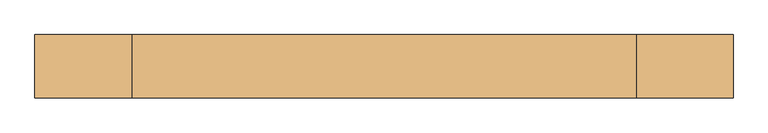
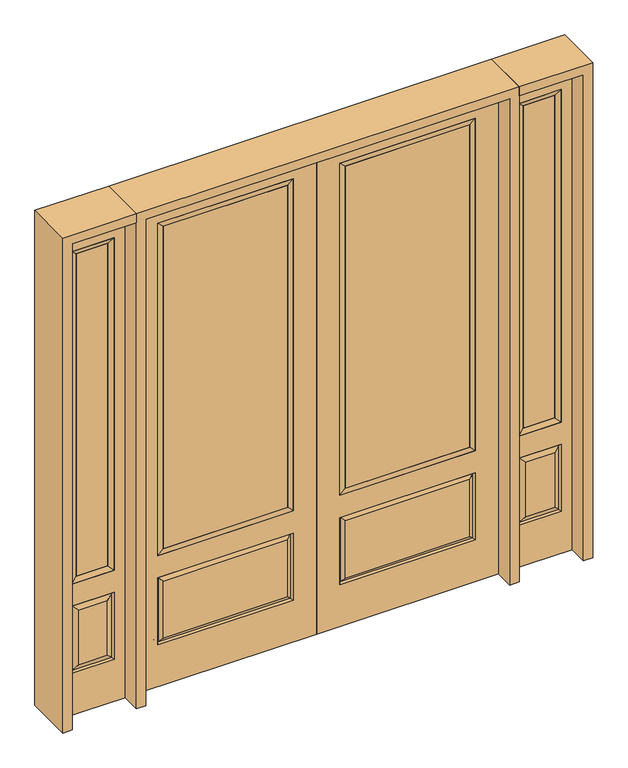
"""IFC4 building model written with IfcOpenShell, lengths in millimetres: door geometry."""

from ifc_helpers import new_model, si_unit, frame, origin, place, context, project, spatial, polyline, outline, extrude, faceted_brep, source, transform, mapped, element, save


def door_d70923eb(model_context):
    return source(origin(), model_context, "Body", "SolidModel", [
        extrude(outline(polyline([(136.525, -20.32), (136.525, 5.08), (727.075, 5.08), (727.075, -20.32), (136.525, -20.32)])), frame((0.0, 0.0, 682.498), z_axis=(0.0, 0.0, 1.0), x_axis=(1.0, 0.0, 0.0)), (0.0, 0.0, 1.0), 1616.202),
        faceted_brep([(745.3661499, -12.7912373, 216.6588501), (727.86875, -22.225, 234.15625), (135.73125, -22.225, 234.15625), (118.2338501, -12.7912373, 216.6588501), (111.125, -22.225, 209.55), (752.475, -22.225, 209.55), (752.475, -22.225, 546.1), (745.3661499, -12.7912373, 538.9911499), (0.0, -22.225, 2438.4), (0.0, -22.225, 0.0), (863.6, -22.225, 0.0), (863.6, -22.225, 2438.4), (111.125, -22.225, 546.1), (111.125, -22.225, 2324.1), (752.475, -22.225, 2324.1), (752.475, -22.225, 657.098), (111.125, -22.225, 657.098), (727.86875, -22.225, 521.49375), (135.73125, -22.225, 521.49375), (118.2338501, -12.7912373, 538.9911499), (863.6, 22.225, 0.0), (863.6, 22.225, 2438.4), (0.0, 22.225, 0.0), (0.0, 22.225, 2438.4), (111.125, 22.225, 657.098), (111.125, 22.225, 2324.1), (752.475, 22.225, 657.098), (752.475, 22.225, 2324.1), (135.73125, 22.225, 234.15625), (135.73125, 22.225, 521.49375), (727.86875, 22.225, 521.49375), (727.86875, 22.225, 234.15625), (752.475, 22.225, 209.55), (752.475, 22.225, 546.1), (111.125, 22.225, 546.1), (111.125, 22.225, 209.55), (118.2338501, 12.7912373, 216.6588501), (745.3661499, 12.7912373, 216.6588501), (118.2338501, 12.7912373, 538.9911499), (745.3661499, 12.7912373, 538.9911499)], [[[0, 1, 2, 3]], [[3, 4, 5, 0]], [[5, 6, 7, 0]], [[8, 9, 10, 11], [4, 12, 6, 5], [13, 14, 15, 16]], [[1, 17, 18, 2]], [[3, 19, 12, 4]], [[2, 18, 19, 3]], [[0, 7, 17, 1]], [[6, 12, 19, 7]], [[7, 19, 18, 17]], [[10, 20, 21, 11]], [[9, 22, 20, 10]], [[8, 23, 22, 9]], [[16, 24, 25, 13]], [[15, 26, 24, 16]], [[14, 27, 26, 15]], [[28, 29, 30, 31]], [[23, 21, 20, 22], [25, 24, 26, 27], [32, 33, 34, 35]], [[32, 35, 36, 37]], [[35, 34, 38, 36]], [[39, 38, 34, 33]], [[37, 39, 33, 32]], [[36, 28, 31, 37]], [[31, 30, 39, 37]], [[30, 29, 38, 39]], [[36, 38, 29, 28]], [[11, 21, 23, 8]], [[13, 25, 27, 14]]]),
        faceted_brep([(752.475, -22.225, 2324.1), (752.475, -22.225, 657.098), (752.475, 22.225, 657.098), (752.475, 22.225, 2324.1), (111.125, -22.225, 657.098), (111.125, 22.225, 657.098), (136.525, 5.08, 682.498), (727.075, 5.08, 682.498), (111.125, -22.225, 2324.1), (111.125, 22.225, 2324.1), (727.075, -20.32, 682.498), (136.525, -20.32, 682.498), (727.075, -20.32, 2298.7), (136.525, -20.32, 2298.7), (727.075, 5.08, 2298.7), (136.525, 5.08, 2298.7)], [[[0, 1, 2, 3]], [[1, 4, 5, 2]], [[2, 5, 6, 7]], [[4, 8, 9, 5]], [[10, 11, 4, 1]], [[12, 10, 1, 0]], [[11, 13, 8, 4]], [[7, 6, 11, 10]], [[14, 7, 10, 12]], [[6, 15, 13, 11]], [[3, 2, 7, 14]], [[5, 9, 15, 6]], [[8, 0, 3, 9]], [[13, 12, 0, 8]], [[15, 14, 12, 13]], [[9, 3, 14, 15]]]),
        faceted_brep([(908.05, -22.225, 0.0), (1212.85, -22.225, 0.0), (1212.85, -22.225, 2438.4), (908.05, -22.225, 2438.4), (1160.78, -22.225, 2325.624), (1160.78, -22.225, 657.098), (960.12, -22.225, 657.098), (960.12, -22.225, 2325.624), (1160.78, -22.225, 209.55), (960.12, -22.225, 209.55), (960.12, -22.225, 546.1), (1160.78, -22.225, 546.1), (991.8351001, -22.225, 241.2651001), (1129.0648999, -22.225, 241.2651001), (1129.0648999, -22.225, 514.3848999), (991.8351001, -22.225, 514.3848999), (908.05, 22.225, 0.0), (908.05, 22.225, 2438.4), (1212.85, 22.225, 2438.4), (1212.85, 22.225, 0.0), (1160.78, 22.225, 2325.624), (960.12, 22.225, 2325.624), (960.12, 22.225, 657.098), (1160.78, 22.225, 657.098), (960.12, 22.225, 209.55), (1160.78, 22.225, 209.55), (1160.78, 22.225, 546.1), (960.12, 22.225, 546.1), (1129.0648999, 22.225, 241.2651001), (991.8351001, 22.225, 241.2651001), (991.8351001, 22.225, 514.3848999), (1129.0648999, 22.225, 514.3848999), (1153.6711499, 12.7912373, 216.6588501), (967.2288501, 12.7912373, 216.6588501), (967.2288501, 12.7912373, 538.9911499), (1153.6711499, 12.7912373, 538.9911499), (967.2288501, -12.7912373, 216.6588501), (1153.6711499, -12.7912373, 216.6588501), (967.2288501, -12.7912373, 538.9911499), (1153.6711499, -12.7912373, 538.9911499)], [[[0, 1, 2, 3], [4, 5, 6, 7], [8, 9, 10, 11]], [[12, 13, 14, 15]], [[16, 17, 18, 19], [20, 21, 22, 23], [24, 25, 26, 27]], [[28, 29, 30, 31]], [[1, 0, 16, 19]], [[2, 1, 19, 18]], [[3, 2, 18, 17]], [[0, 3, 17, 16]], [[5, 4, 20, 23]], [[6, 5, 23, 22]], [[7, 6, 22, 21]], [[4, 7, 21, 20]], [[32, 33, 29, 28]], [[33, 32, 25, 24]], [[29, 33, 34, 30]], [[33, 24, 27, 34]], [[30, 34, 35, 31]], [[34, 27, 26, 35]], [[32, 28, 31, 35]], [[25, 32, 35, 26]], [[12, 36, 37, 13]], [[37, 36, 9, 8]], [[36, 12, 15, 38]], [[9, 36, 38, 10]], [[38, 15, 14, 39]], [[10, 38, 39, 11]], [[13, 37, 39, 14]], [[37, 8, 11, 39]]]),
        faceted_brep([(960.12, 22.225, 2325.624), (960.12, -22.225, 2325.624), (1160.78, -22.225, 2325.624), (1160.78, 22.225, 2325.624), (985.52, 12.7, 2300.224), (1135.38, 12.7, 2300.224), (985.52, -12.7, 2300.224), (1135.38, -12.7, 2300.224), (1160.78, -22.225, 657.098), (1160.78, 22.225, 657.098), (1135.38, 12.7, 682.498), (1135.38, -12.7, 682.498), (960.12, -22.225, 657.098), (960.12, 22.225, 657.098), (985.52, 12.7, 682.498), (985.52, -12.7, 682.498)], [[[0, 1, 2, 3]], [[4, 0, 3, 5]], [[6, 4, 5, 7]], [[1, 6, 7, 2]], [[3, 2, 8, 9]], [[5, 3, 9, 10]], [[7, 5, 10, 11]], [[2, 7, 11, 8]], [[9, 8, 12, 13]], [[10, 9, 13, 14]], [[11, 10, 14, 15]], [[8, 11, 15, 12]], [[13, 12, 1, 0]], [[14, 13, 0, 4]], [[15, 14, 4, 6]], [[12, 15, 6, 1]]]),
        extrude(outline(polyline([(1135.38, -12.7), (985.52, -12.7), (985.52, 12.7), (1135.38, 12.7), (1135.38, -12.7)])), frame((0.0, 0.0, 682.498), z_axis=(0.0, 0.0, 1.0), x_axis=(1.0, 0.0, 0.0)), (0.0, 0.0, 1.0), 1617.726),
        faceted_brep([(-1212.85, -22.225, 0.0), (-908.05, -22.225, 0.0), (-908.05, -22.225, 2438.4), (-1212.85, -22.225, 2438.4), (-960.12, -22.225, 2325.624), (-960.12, -22.225, 657.098), (-1160.78, -22.225, 657.098), (-1160.78, -22.225, 2325.624), (-960.12, -22.225, 209.55), (-1160.78, -22.225, 209.55), (-1160.78, -22.225, 546.1), (-960.12, -22.225, 546.1), (-1129.0648999, -22.225, 241.2651001), (-991.8351001, -22.225, 241.2651001), (-991.8351001, -22.225, 514.3848999), (-1129.0648999, -22.225, 514.3848999), (-1212.85, 22.225, 0.0), (-1212.85, 22.225, 2438.4), (-908.05, 22.225, 2438.4), (-908.05, 22.225, 0.0), (-960.12, 22.225, 2325.624), (-1160.78, 22.225, 2325.624), (-1160.78, 22.225, 657.098), (-960.12, 22.225, 657.098), (-1160.78, 22.225, 209.55), (-960.12, 22.225, 209.55), (-960.12, 22.225, 546.1), (-1160.78, 22.225, 546.1), (-991.8351001, 22.225, 241.2651001), (-1129.0648999, 22.225, 241.2651001), (-1129.0648999, 22.225, 514.3848999), (-991.8351001, 22.225, 514.3848999), (-967.2288501, 12.7912373, 216.6588501), (-1153.6711499, 12.7912373, 216.6588501), (-1153.6711499, 12.7912373, 538.9911499), (-967.2288501, 12.7912373, 538.9911499), (-1153.6711499, -12.7912373, 216.6588501), (-967.2288501, -12.7912373, 216.6588501), (-1153.6711499, -12.7912373, 538.9911499), (-967.2288501, -12.7912373, 538.9911499)], [[[0, 1, 2, 3], [4, 5, 6, 7], [8, 9, 10, 11]], [[12, 13, 14, 15]], [[16, 17, 18, 19], [20, 21, 22, 23], [24, 25, 26, 27]], [[28, 29, 30, 31]], [[1, 0, 16, 19]], [[2, 1, 19, 18]], [[3, 2, 18, 17]], [[0, 3, 17, 16]], [[5, 4, 20, 23]], [[6, 5, 23, 22]], [[7, 6, 22, 21]], [[4, 7, 21, 20]], [[32, 33, 29, 28]], [[33, 32, 25, 24]], [[29, 33, 34, 30]], [[33, 24, 27, 34]], [[30, 34, 35, 31]], [[34, 27, 26, 35]], [[32, 28, 31, 35]], [[25, 32, 35, 26]], [[12, 36, 37, 13]], [[37, 36, 9, 8]], [[36, 12, 15, 38]], [[9, 36, 38, 10]], [[38, 15, 14, 39]], [[10, 38, 39, 11]], [[13, 37, 39, 14]], [[37, 8, 11, 39]]]),
        faceted_brep([(-1160.78, 22.225, 2325.624), (-1160.78, -22.225, 2325.624), (-960.12, -22.225, 2325.624), (-960.12, 22.225, 2325.624), (-1135.38, 12.7, 2300.224), (-985.52, 12.7, 2300.224), (-1135.38, -12.7, 2300.224), (-985.52, -12.7, 2300.224), (-960.12, -22.225, 657.098), (-960.12, 22.225, 657.098), (-985.52, 12.7, 682.498), (-985.52, -12.7, 682.498), (-1160.78, -22.225, 657.098), (-1160.78, 22.225, 657.098), (-1135.38, 12.7, 682.498), (-1135.38, -12.7, 682.498)], [[[0, 1, 2, 3]], [[4, 0, 3, 5]], [[6, 4, 5, 7]], [[1, 6, 7, 2]], [[3, 2, 8, 9]], [[5, 3, 9, 10]], [[7, 5, 10, 11]], [[2, 7, 11, 8]], [[9, 8, 12, 13]], [[10, 9, 13, 14]], [[11, 10, 14, 15]], [[8, 11, 15, 12]], [[13, 12, 1, 0]], [[14, 13, 0, 4]], [[15, 14, 4, 6]], [[12, 15, 6, 1]]]),
        extrude(outline(polyline([(-985.52, -12.7), (-1135.38, -12.7), (-1135.38, 12.7), (-985.52, 12.7), (-985.52, -12.7)])), frame((0.0, 0.0, 682.498), z_axis=(0.0, 0.0, 1.0), x_axis=(1.0, 0.0, 0.0)), (0.0, 0.0, 1.0), 1617.726),
        extrude(outline(polyline([(-136.525, -20.32), (-727.075, -20.32), (-727.075, 5.08), (-136.525, 5.08), (-136.525, -20.32)])), frame((0.0, 0.0, 682.498), z_axis=(0.0, 0.0, 1.0), x_axis=(1.0, 0.0, 0.0)), (0.0, 0.0, 1.0), 1616.202),
        faceted_brep([(-745.3661499, -12.7912373, 216.6588501), (-118.2338501, -12.7912373, 216.6588501), (-135.73125, -22.225, 234.15625), (-727.86875, -22.225, 234.15625), (-752.475, -22.225, 209.55), (-111.125, -22.225, 209.55), (-745.3661499, -12.7912373, 538.9911499), (-752.475, -22.225, 546.1), (-135.73125, -22.225, 521.49375), (-727.86875, -22.225, 521.49375), (0.0, -22.225, 2438.4), (-863.6, -22.225, 2438.4), (-863.6, -22.225, 0.0), (0.0, -22.225, 0.0), (-111.125, -22.225, 546.1), (-111.125, -22.225, 2324.1), (-111.125, -22.225, 657.098), (-752.475, -22.225, 657.098), (-752.475, -22.225, 2324.1), (-118.2338501, -12.7912373, 538.9911499), (-863.6, 22.225, 2438.4), (-863.6, 22.225, 0.0), (0.0, 22.225, 0.0), (0.0, 22.225, 2438.4), (-111.125, 22.225, 2324.1), (-111.125, 22.225, 657.098), (-752.475, 22.225, 657.098), (-752.475, 22.225, 2324.1), (-752.475, 22.225, 209.55), (-111.125, 22.225, 209.55), (-111.125, 22.225, 546.1), (-752.475, 22.225, 546.1), (-135.73125, 22.225, 234.15625), (-727.86875, 22.225, 234.15625), (-727.86875, 22.225, 521.49375), (-135.73125, 22.225, 521.49375), (-745.3661499, 12.7912373, 216.6588501), (-118.2338501, 12.7912373, 216.6588501), (-118.2338501, 12.7912373, 538.9911499), (-745.3661499, 12.7912373, 538.9911499)], [[[0, 1, 2, 3]], [[1, 0, 4, 5]], [[4, 0, 6, 7]], [[3, 2, 8, 9]], [[10, 11, 12, 13], [5, 4, 7, 14], [15, 16, 17, 18]], [[1, 5, 14, 19]], [[2, 1, 19, 8]], [[0, 3, 9, 6]], [[7, 6, 19, 14]], [[6, 9, 8, 19]], [[12, 11, 20, 21]], [[13, 12, 21, 22]], [[10, 13, 22, 23]], [[16, 15, 24, 25]], [[17, 16, 25, 26]], [[18, 17, 26, 27]], [[23, 22, 21, 20], [28, 29, 30, 31], [24, 27, 26, 25]], [[32, 33, 34, 35]], [[28, 36, 37, 29]], [[29, 37, 38, 30]], [[39, 31, 30, 38]], [[36, 28, 31, 39]], [[37, 36, 33, 32]], [[33, 36, 39, 34]], [[34, 39, 38, 35]], [[37, 32, 35, 38]], [[11, 10, 23, 20]], [[15, 18, 27, 24]]]),
        faceted_brep([(-752.475, -22.225, 2324.1), (-752.475, 22.225, 2324.1), (-752.475, 22.225, 657.098), (-752.475, -22.225, 657.098), (-111.125, 22.225, 657.098), (-111.125, -22.225, 657.098), (-727.075, 5.08, 682.498), (-136.525, 5.08, 682.498), (-111.125, 22.225, 2324.1), (-111.125, -22.225, 2324.1), (-727.075, -20.32, 682.498), (-136.525, -20.32, 682.498), (-727.075, -20.32, 2298.7), (-136.525, -20.32, 2298.7), (-727.075, 5.08, 2298.7), (-136.525, 5.08, 2298.7)], [[[0, 1, 2, 3]], [[3, 2, 4, 5]], [[2, 6, 7, 4]], [[5, 4, 8, 9]], [[10, 3, 5, 11]], [[12, 0, 3, 10]], [[11, 5, 9, 13]], [[6, 10, 11, 7]], [[14, 12, 10, 6]], [[7, 11, 13, 15]], [[1, 14, 6, 2]], [[4, 7, 15, 8]], [[9, 8, 1, 0]], [[13, 9, 0, 12]], [[15, 13, 12, 14]], [[8, 15, 14, 1]]]),
        extrude(outline(polyline([(2438.4, -908.05), (2482.85, -908.05), (2482.85, -1257.3), (0.0, -1257.3), (0.0, -1212.85), (2438.4, -1212.85), (2438.4, -908.05)])), frame((0.0, -114.3, 0.0), z_axis=(0.0, 1.0, 0.0), x_axis=(0.0, 0.0, 1.0)), (0.0, 0.0, 1.0), 228.6),
        extrude(outline(polyline([(2482.85, -908.05), (0.0, -908.05), (0.0, -863.6), (2438.4, -863.6), (2438.4, 863.6), (0.0, 863.6), (0.0, 908.05), (2482.85, 908.05), (2482.85, -908.05)])), frame((0.0, -114.3, 0.0), z_axis=(0.0, 1.0, 0.0), x_axis=(0.0, 0.0, 1.0)), (0.0, 0.0, 1.0), 228.6),
        extrude(outline(polyline([(0.0, 1212.85), (0.0, 1257.3), (2482.85, 1257.3), (2482.85, 908.05), (2438.4, 908.05), (2438.4, 1212.85), (0.0, 1212.85)])), frame((0.0, -114.3, 0.0), z_axis=(0.0, 1.0, 0.0), x_axis=(0.0, 0.0, 1.0)), (0.0, 0.0, 1.0), 228.6),
    ])


if __name__ == "__main__":
    model = new_model("IFC4")
    model_context = context("Model", 3, world=origin())
    ifc_project = project(units=[si_unit("LENGTHUNIT", "METRE", prefix="MILLI")], contexts=[model_context])
    site = spatial("IfcSite", under=ifc_project)
    building = spatial("IfcBuilding", under=site)
    placement = place(None, origin())
    door_shape = door_d70923eb(model_context)
    element("IfcDoor", 1, at=placement, inside=building, context=model_context, shape_type="MappedRepresentation", body=[
        mapped(door_shape, transform((0.0, 0.0, 0.0), x_axis=(1.0, 0.0, 0.0), y_axis=(0.0, 1.0, 0.0), z_axis=(0.0, 0.0, 1.0))),
    ])
    save(model, "model.ifc")
